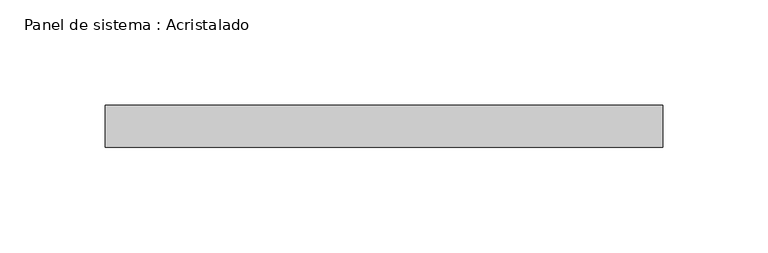
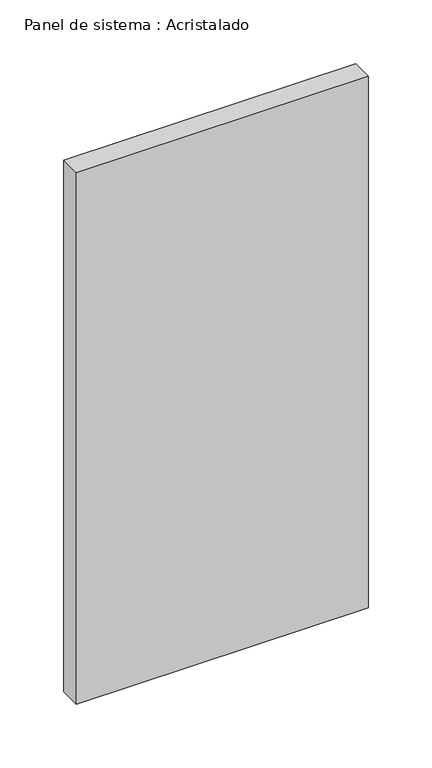
"""IFC4 building model written with IfcOpenShell, lengths in millimetres: plate geometry, Panel de sistema : Acristalado."""

from ifc_helpers import new_model, si_unit, origin, origin_with_axes, place, context, project, spatial, polyline, outline, extrude, source, transform, mapped, element, save


def panel_de_sistema_acristalado_efa7d9e4(model_context):
    return source(origin(), model_context, "Body", "SweptSolid", [
        extrude(outline(polyline([(132.5, -10.0), (-132.5, -10.0), (-132.5, 10.0), (132.5, 10.0), (132.5, -10.0)])), origin_with_axes(), (0.0, 0.0, 1.0), 510.0),
    ])


if __name__ == "__main__":
    model = new_model("IFC4")
    model_context = context("Model", 3, world=origin())
    ifc_project = project(units=[si_unit("LENGTHUNIT", "METRE", prefix="MILLI")], contexts=[model_context])
    site = spatial("IfcSite", under=ifc_project)
    building = spatial("IfcBuilding", under=site)
    placement = place(None, origin())
    panel_de_sistema_acristalado_shape = panel_de_sistema_acristalado_efa7d9e4(model_context)
    element("IfcPlate", 1, ObjectType="Panel de sistema : Acristalado", at=placement, inside=building, context=model_context, shape_type="MappedRepresentation", body=[
        mapped(panel_de_sistema_acristalado_shape, transform((0.0, 0.0, 0.0), x_axis=(1.0, 0.0, 0.0), y_axis=(0.0, 1.0, 0.0), z_axis=(0.0, 0.0, 1.0))),
    ])
    save(model, "model.ifc")
